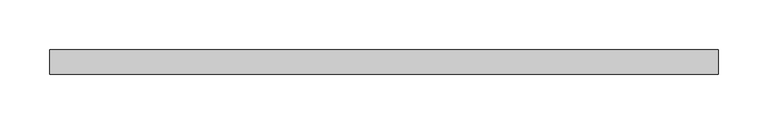
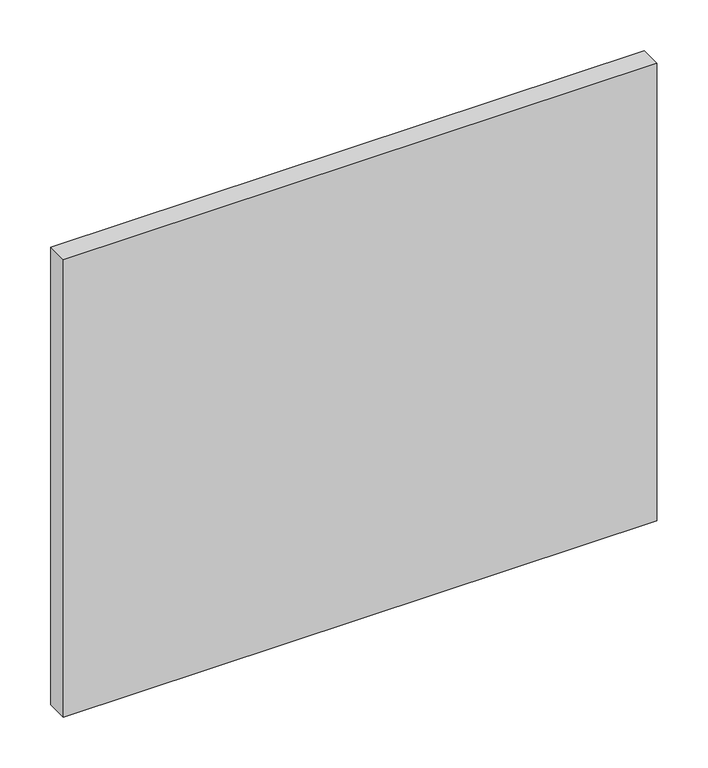
"""IFC4 building model written with IfcOpenShell, lengths in millimetres: plate geometry."""

from ifc_helpers import new_model, si_unit, origin, origin_with_axes, place, context, project, spatial, polyline, outline, extrude, source, transform, mapped, element, save


def plate_fde35db0(model_context):
    return source(origin(), model_context, "Body", "SweptSolid", [
        extrude(outline(polyline([(337.5, -12.5), (-337.5, -12.5), (-337.5, 12.5), (337.5, 12.5), (337.5, -12.5)])), origin_with_axes(), (0.0, 0.0, 1.0), 550.0),
    ])


if __name__ == "__main__":
    model = new_model("IFC4")
    model_context = context("Model", 3, world=origin())
    ifc_project = project(units=[si_unit("LENGTHUNIT", "METRE", prefix="MILLI")], contexts=[model_context])
    site = spatial("IfcSite", under=ifc_project)
    building = spatial("IfcBuilding", under=site)
    placement = place(None, origin())
    plate_shape = plate_fde35db0(model_context)
    element("IfcPlate", 1, at=placement, inside=building, context=model_context, shape_type="MappedRepresentation", body=[
        mapped(plate_shape, transform((0.0, 0.0, 0.0), x_axis=(1.0, 0.0, 0.0), y_axis=(0.0, 1.0, 0.0), z_axis=(0.0, 0.0, 1.0))),
    ])
    save(model, "model.ifc")
